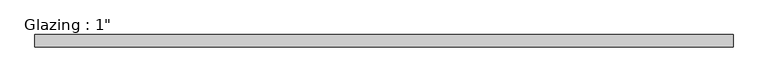
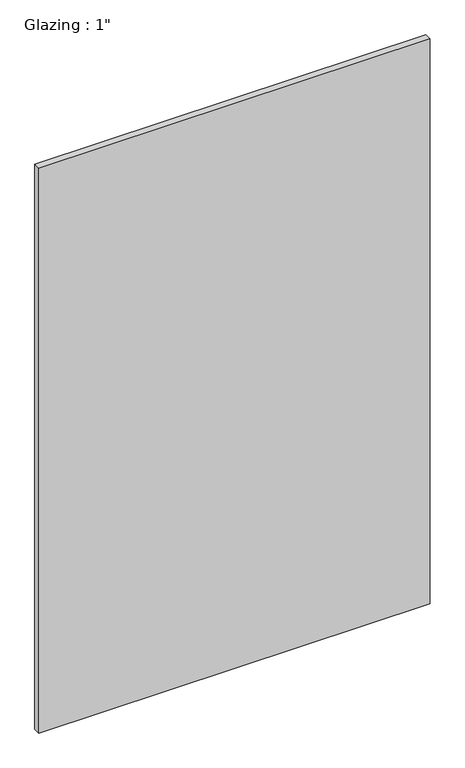
"""IFC4 building model written with IfcOpenShell, lengths in millimetres: plate geometry."""

from ifc_helpers import new_model, si_unit, origin, origin_with_axes, place, context, project, spatial, polyline, outline, extrude, source, transform, mapped, element, save


def plate_ec3b2ee5(model_context):
    return source(origin(), model_context, "Body", "SweptSolid", [
        extrude(outline(polyline([(713.834995, 12.7), (713.834995, -12.7), (-713.834995, -12.7), (-713.834995, 12.7), (713.834995, 12.7)])), origin_with_axes(), (0.0, 0.0, 1.0), 2177.9425731),
    ])


if __name__ == "__main__":
    model = new_model("IFC4")
    model_context = context("Model", 3, world=origin())
    ifc_project = project(units=[si_unit("LENGTHUNIT", "METRE", prefix="MILLI")], contexts=[model_context])
    site = spatial("IfcSite", under=ifc_project)
    building = spatial("IfcBuilding", under=site)
    placement = place(None, origin())
    plate_shape = plate_ec3b2ee5(model_context)
    element("IfcPlate", 1, ObjectType="Glazing : 1\"", at=placement, inside=building, context=model_context, shape_type="MappedRepresentation", body=[
        mapped(plate_shape, transform((0.0, 0.0, 0.0), x_axis=(1.0, 0.0, 0.0), y_axis=(0.0, 1.0, 0.0), z_axis=(0.0, 0.0, 1.0))),
    ])
    save(model, "model.ifc")
